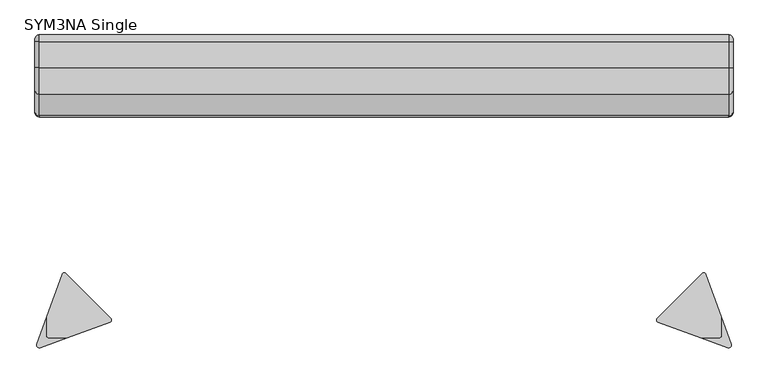
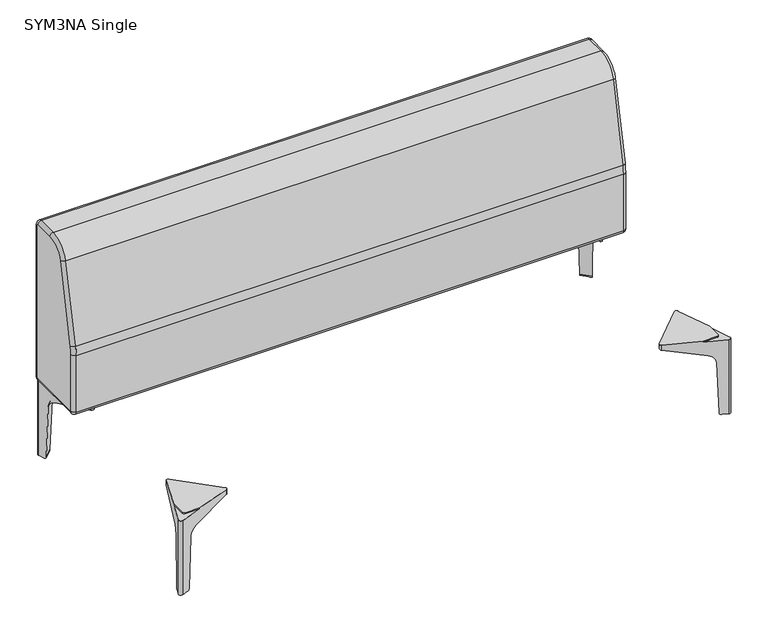
"""IFC4 building model written with IfcOpenShell, lengths in millimetres: furniture geometry, SYM3NA Single."""

from ifc_helpers import new_model, si_unit, point, frame, origin, place, context, project, spatial, polyline, circle_curve, ellipse_curve, trimmed, source, transform, mapped, element, save
from ifc_brep_helpers import plane_surface, cylinder_surface, revolved_surface, advanced_brep


def sym3na_single_6348d913(model_context):
    return source(origin(), model_context, "Body", "AdvancedBrep", [
        advanced_brep(
        [(600.5633423, 285.4713683, 218.9993381), (598.7378691, 277.2373568, 218.9993381), (697.2415059, 178.73372, 218.9993381), (705.4755346, 180.5592401, 218.9993381), (739.470896, 273.9661094, 218.9993381), (739.470896, 314.468198, 218.9993381), (734.470896, 319.468198, 218.9993381), (693.9713365, 319.468198, 218.9993381), (755.1373109, 317.0117106, 0.0), (761.10897, 333.4196543, 0.0), (761.10897, 333.4196543, 215.9993706), (739.470896, 273.9661094, 215.9993706), (705.4755346, 180.5592401, 204.9594882), (744.1986842, 286.956349, 175.5349617), (751.0266022, 305.7169804, 152.3759067), (752.9611901, 311.0325233, 5.568812), (753.4224767, 341.1060707, 0.0), (753.4224767, 341.1060707, 215.9993706), (737.0147258, 335.1342958, 0.0), (731.0355882, 332.9581253, 5.568812), (725.7200894, 331.0234931, 152.3759067), (706.959614, 324.1954192, 175.5349617), (600.5633423, 285.4713683, 204.9595012), (693.9713365, 319.468198, 215.9993706), (598.7378691, 277.2373568, 206.9991584), (697.2415059, 178.73372, 206.9991584), (734.470896, 319.468198, 215.9993706), (739.470896, 314.468198, 215.9993706)],
        [
            (0, 1, circle_curve(frame((602.2734031, 280.7728907, 218.9993381), z_axis=(0.0, 0.0, 1.0), x_axis=(-1.0000000000000009, 0.0, 0.0)), 5.0)),
            (1, 2),
            (2, 3, circle_curve(frame((700.7770399, 182.2692539, 218.9993381), z_axis=(0.0, 0.0, 1.0), x_axis=(-1.0000000000000009, 0.0, 0.0)), 5.0)),
            (3, 4),
            (4, 5),
            (5, 6, circle_curve(frame((734.470896, 314.468198, 218.9993381), z_axis=(0.0, 0.0, 1.0), x_axis=(-1.0000000000000009, 0.0, 0.0)), 5.0)),
            (6, 7),
            (7, 0),
            (8, 9),
            (9, 10),
            (10, 11),
            (11, 4),
            (3, 12),
            (12, 13),
            (13, 14, ellipse_curve(frame((741.5983108, 279.8114702, 151.5034193), z_axis=(-0.9396989536617917, 0.3420027433909469, 0.0), x_axis=(-0.34200274339094694, -0.9396989536617917, 0.0)), 27.5846862, 25.0)),
            (14, 15),
            (15, 8, ellipse_curve(frame((755.1373109, 317.0117106, 5.7701887), z_axis=(0.9396989536617917, -0.3420027433909469, 0.0), x_axis=(0.34200274339094694, 0.9396989536617917, 0.0)), 6.3667538, 5.7701887)),
            (9, 16, circle_curve(frame((755.4735427, 335.4706639, 0.0), z_axis=(0.0, 0.0, 1.0), x_axis=(-1.0000000000000009, 0.0, 0.0)), 5.997056)),
            (16, 17),
            (17, 10, circle_curve(frame((755.4735427, 335.4706639, 215.9993706), z_axis=(0.0, 0.0, -1.0), x_axis=(-1.0000000000000009, 0.0, 0.0)), 5.997056)),
            (16, 18),
            (18, 19, ellipse_curve(frame((737.0147258, 335.1342958, 5.7701887), z_axis=(-0.34201214943099856, 0.9396955302871183, 0.0), x_axis=(-0.9396955302871184, -0.3420121494309987, 0.0)), 6.3667241, 5.7701887)),
            (19, 20),
            (20, 21, ellipse_curve(frame((699.8147946, 321.5949865, 151.5034193), z_axis=(0.34201214943099856, -0.9396955302871183, 0.0), x_axis=(0.9396955302871184, 0.3420121494309987, 0.0)), 27.5845574, 25.0)),
            (21, 22),
            (22, 0),
            (7, 23),
            (23, 17),
            (22, 24, ellipse_curve(frame((602.2734031, 280.7728907, 205.5654315), z_axis=(0.1949050434465321, 0.19490504344653045, 0.961261695938318), x_axis=(-0.6797146636928686, -0.6797146636928629, 0.2756373558170023)), 5.2014972, 5.0)),
            (24, 1),
            (24, 25),
            (25, 2),
            (25, 12, ellipse_curve(frame((700.7770399, 182.2692539, 205.5654315), z_axis=(0.1949050434465321, 0.19490504344653045, 0.961261695938318), x_axis=(-0.6797146636928686, -0.6797146636928629, 0.2756373558170023)), 5.2014972, 5.0)),
            (15, 19),
            (18, 8),
            (14, 20),
            (13, 21),
            (26, 27, circle_curve(frame((734.470896, 314.468198, 215.9993706), z_axis=(0.0, 0.0, -1.0), x_axis=(-1.0000000000000009, 0.0, 0.0)), 5.0)),
            (27, 11),
            (23, 26),
            (27, 5),
            (6, 26),
        ],
        [
            plane_surface(frame((739.4709122, 273.9661537, 218.9993381), z_axis=(0.0, 0.0, 1.0), x_axis=(0.3420027433909469, 0.9396989536617917, 0.0))),
            plane_surface(frame((705.4755346, 180.5592401, 218.9993381), z_axis=(0.9396989536617917, -0.3420027433909469, 0.0), x_axis=(0.0, 0.0, -1.0))),
            cylinder_surface(frame((755.4735427, 335.4706639, 0.0), z_axis=(0.0, 0.0, 1.0), x_axis=(-1.0000000000000009, 0.0, 0.0)), 5.997056),
            plane_surface(frame((753.4224767, 341.1060707, 218.9993381), z_axis=(-0.34201214943099856, 0.9396955302871183, 0.0), x_axis=(0.0, 0.0, -1.0))),
            cylinder_surface(frame((602.2734031, 280.7728907, 0.0), z_axis=(0.0, 0.0, 1.0), x_axis=(-1.0000000000000009, 0.0, 0.0)), 5.0),
            plane_surface(frame((598.7378691, 277.2373568, 218.9993381), z_axis=(-0.7071067811865516, -0.7071067811865435, 0.0), x_axis=(0.0, 0.0, -1.0))),
            cylinder_surface(frame((700.7770399, 182.2692539, 0.0), z_axis=(0.0, 0.0, 1.0), x_axis=(-1.0000000000000009, 0.0, 0.0)), 5.0),
            cylinder_surface(frame((689.5059683, 382.6430533, 5.7701887), z_axis=(-0.7071067811865454, 0.7071067811865512, 0.0), x_axis=(-0.7071067811865512, -0.7071067811865454, 0.0)), 5.7701887),
            plane_surface(frame((798.5653992, 265.4283142, 5.568812), z_axis=(-0.7066760308408373, -0.7066760308408316, -0.03489949670249955), x_axis=(-0.7071067811865447, 0.7071067811865503, 0.0))),
            revolved_surface(polyline([(732.1642724719613, 253.89016946871047, 151.5034193), (673.8937092572104, 312.16073268346196, 151.5034193)]), (664.136348, 357.273433, 151.5034193), (0.7071067811865454, -0.7071067811865512, 0.0)),
            plane_surface(frame((782.1460591, 249.0089741, 175.5349617), z_axis=(-0.19490504344653214, -0.1949050434465305, -0.9612616959383182), x_axis=(-0.7071067811865446, 0.7071067811865505, 0.0))),
            plane_surface(frame((739.470896, 273.9661094, 215.9993706), z_axis=(0.0, 0.0, 1.0), x_axis=(0.0, 1.0, 0.0))),
            plane_surface(frame((739.470896, 314.468198, 218.9993381), z_axis=(1.0, 0.0, 0.0), x_axis=(0.0, 0.0, -1.0))),
            plane_surface(frame((689.470896, 319.468198, 218.9993381), z_axis=(0.0, 1.0, 0.0), x_axis=(0.0, 0.0, -1.0))),
            cylinder_surface(frame((734.470896, 314.468198, 215.9993706), z_axis=(0.0, 0.0, -1.0), x_axis=(-1.0000000000000009, 0.0, 0.0)), 5.0),
            plane_surface(frame((739.4709122, 273.9661537, 0.0), z_axis=(0.0, 0.0, -1.0), x_axis=(-0.3420027433909469, -0.9396989536617917, 0.0))),
        ],
        [
            (0, [[1, 2, 3, 4, 5, 6, 7, 8]]),
            (1, [[9, 10, 11, 12, -4, 13, 14, 15, 16, 17]]),
            (2, [[18, 19, 20, -10]]),
            (3, [[21, 22, 23, 24, 25, 26, -8, 27, 28, -19]]),
            (4, [[-1, -26, 29, 30]]),
            (5, [[-2, -30, 31, 32]]),
            (6, [[-3, -32, 33, -13]]),
            (7, [[34, -22, 35, -17]]),
            (8, [[-34, -16, 36, -23]]),
            (9, [[-36, -15, 37, -24]]),
            (10, [[-37, -14, -33, -31, -29, -25]]),
            (11, [[38, 39, -11, -20, -28, 40]]),
            (12, [[41, -5, -12, -39]]),
            (13, [[42, -40, -27, -7]]),
            (14, [[-38, -42, -6, -41]]),
            (15, [[-18, -9, -35, -21]]),
        ],
    ),
        advanced_brep(
        [(705.4713683, -180.5633423, 218.9993381), (697.2373568, -178.7378691, 218.9993381), (598.73372, -277.2415059, 218.9993381), (600.5592401, -285.4755346, 218.9993381), (693.9661094, -319.470896, 218.9993381), (734.468198, -319.470896, 218.9993381), (739.468198, -314.470896, 218.9993381), (739.468198, -273.9713365, 218.9993381), (737.0117106, -335.1373109, 0.0), (753.4196543, -341.10897, 0.0), (753.4196543, -341.10897, 215.9993706), (693.9661094, -319.470896, 215.9993706), (600.5592401, -285.4755346, 204.9594882), (706.956349, -324.1986842, 175.5349617), (725.7169804, -331.0266022, 152.3759067), (731.0325233, -332.9611901, 5.568812), (761.1060707, -333.4224767, 0.0), (761.1060707, -333.4224767, 215.9993706), (755.1342958, -317.0147258, 0.0), (752.9581253, -311.0355882, 5.568812), (751.0234931, -305.7200894, 152.3759067), (744.1954192, -286.959614, 175.5349617), (705.4713683, -180.5633423, 204.9595012), (739.468198, -273.9713365, 215.9993706), (697.2373568, -178.7378691, 206.9991584), (598.73372, -277.2415059, 206.9991584), (739.468198, -314.470896, 215.9993706), (734.468198, -319.470896, 215.9993706)],
        [
            (0, 1, circle_curve(frame((700.7728907, -182.2734031, 218.9993381), z_axis=(0.0, 0.0, 1.0), x_axis=(0.0, 1.0000000000000002, 0.0)), 5.0)),
            (1, 2),
            (2, 3, circle_curve(frame((602.2692539, -280.7770399, 218.9993381), z_axis=(0.0, 0.0, 1.0), x_axis=(0.0, 1.0000000000000002, 0.0)), 5.0)),
            (3, 4),
            (4, 5),
            (5, 6, circle_curve(frame((734.468198, -314.470896, 218.9993381), z_axis=(0.0, 0.0, 1.0), x_axis=(0.0, 1.0000000000000002, 0.0)), 5.0)),
            (6, 7),
            (7, 0),
            (8, 9),
            (9, 10),
            (10, 11),
            (11, 4),
            (3, 12),
            (12, 13),
            (13, 14, ellipse_curve(frame((699.8114702, -321.5983108, 151.5034193), z_axis=(0.34200274339094533, 0.9396989536617922, 0.0), x_axis=(-0.9396989536617923, 0.3420027433909454, 0.0)), 27.5846862, 25.0)),
            (14, 15),
            (15, 8, ellipse_curve(frame((737.0117106, -335.1373109, 5.7701887), z_axis=(-0.34200274339094533, -0.9396989536617922, 0.0), x_axis=(0.9396989536617923, -0.3420027433909454, 0.0)), 6.3667538, 5.7701887)),
            (9, 16, circle_curve(frame((755.4706639, -335.4735427, 0.0), z_axis=(0.0, 0.0, 1.0), x_axis=(0.0, 1.0000000000000002, 0.0)), 5.997056)),
            (16, 17),
            (17, 10, circle_curve(frame((755.4706639, -335.4735427, 215.9993706), z_axis=(0.0, 0.0, -1.0), x_axis=(0.0, 1.0000000000000002, 0.0)), 5.997056)),
            (16, 18),
            (18, 19, ellipse_curve(frame((755.1342958, -317.0147258, 5.7701887), z_axis=(0.9396955302871177, 0.3420121494310001, 0.0), x_axis=(-0.3420121494310004, 0.9396955302871177, 0.0)), 6.3667241, 5.7701887)),
            (19, 20),
            (20, 21, ellipse_curve(frame((741.5949865, -279.8147946, 151.5034193), z_axis=(-0.9396955302871177, -0.3420121494310001, 0.0), x_axis=(0.3420121494310004, -0.9396955302871177, 0.0)), 27.5845574, 25.0)),
            (21, 22),
            (22, 0),
            (7, 23),
            (23, 17),
            (22, 24, ellipse_curve(frame((700.7728907, -182.2734031, 205.5654315), z_axis=(0.19490504344653095, -0.1949050434465319, 0.961261695938318), x_axis=(-0.6797146636928642, 0.6797146636928675, 0.27563735581700216)), 5.2014972, 5.0)),
            (24, 1),
            (24, 25),
            (25, 2),
            (25, 12, ellipse_curve(frame((602.2692539, -280.7770399, 205.5654315), z_axis=(0.19490504344653095, -0.1949050434465319, 0.961261695938318), x_axis=(-0.6797146636928642, 0.6797146636928675, 0.27563735581700216)), 5.2014972, 5.0)),
            (15, 19),
            (18, 8),
            (14, 20),
            (13, 21),
            (26, 27, circle_curve(frame((734.468198, -314.470896, 215.9993706), z_axis=(0.0, 0.0, -1.0), x_axis=(0.0, 1.0000000000000002, 0.0)), 5.0)),
            (27, 11),
            (23, 26),
            (27, 5),
            (6, 26),
        ],
        [
            plane_surface(frame((693.9661537, -319.4709122, 218.9993381), z_axis=(0.0, 0.0, 1.0), x_axis=(0.9396989536617922, -0.34200274339094533, 0.0))),
            plane_surface(frame((600.5592401, -285.4755346, 218.9993381), z_axis=(-0.34200274339094533, -0.9396989536617922, 0.0), x_axis=(0.0, 0.0, -1.0))),
            cylinder_surface(frame((755.4706639, -335.4735427, 0.0), z_axis=(0.0, 0.0, 1.0), x_axis=(0.0, 1.0000000000000002, 0.0)), 5.997056),
            plane_surface(frame((761.1060707, -333.4224767, 218.9993381), z_axis=(0.9396955302871177, 0.3420121494310001, 0.0), x_axis=(0.0, 0.0, -1.0))),
            cylinder_surface(frame((700.7728907, -182.2734031, 0.0), z_axis=(0.0, 0.0, 1.0), x_axis=(0.0, 1.0000000000000002, 0.0)), 5.0),
            plane_surface(frame((697.2373568, -178.7378691, 218.9993381), z_axis=(-0.7071067811865448, 0.7071067811865505, 0.0), x_axis=(0.0, 0.0, -1.0))),
            cylinder_surface(frame((602.2692539, -280.7770399, 0.0), z_axis=(0.0, 0.0, 1.0), x_axis=(0.0, 1.0000000000000002, 0.0)), 5.0),
            cylinder_surface(frame((802.6430533, -269.5059683, 5.7701887), z_axis=(0.7071067811865495, 0.707106781186546, 0.0), x_axis=(-0.707106781186546, 0.7071067811865495, 0.0)), 5.7701887),
            plane_surface(frame((685.4283142, -378.5653992, 5.568812), z_axis=(-0.7066760308408329, 0.7066760308408361, -0.034899496702499526), x_axis=(0.7071067811865491, 0.7071067811865459, 0.0))),
            revolved_surface(polyline([(673.8901694687108, -312.16427247196134, 151.5034193), (732.160732683462, -253.89370925721042, 151.5034193)]), (777.273433, -244.136348, 151.5034193), (-0.7071067811865495, -0.707106781186546, 0.0)),
            plane_surface(frame((669.0089741, -362.1460591, 175.5349617), z_axis=(-0.194905043446531, 0.19490504344653195, -0.9612616959383182), x_axis=(0.7071067811865493, 0.7071067811865459, 0.0))),
            plane_surface(frame((693.9661094, -319.470896, 215.9993706), z_axis=(0.0, 0.0, 1.0), x_axis=(1.0, 0.0, 0.0))),
            plane_surface(frame((734.468198, -319.470896, 218.9993381), z_axis=(0.0, -1.0, 0.0), x_axis=(0.0, 0.0, -1.0))),
            plane_surface(frame((739.468198, -269.470896, 218.9993381), z_axis=(1.0, 0.0, 0.0), x_axis=(0.0, 0.0, -1.0))),
            cylinder_surface(frame((734.468198, -314.470896, 215.9993706), z_axis=(0.0, 0.0, -1.0), x_axis=(0.0, 1.0000000000000002, 0.0)), 5.0),
            plane_surface(frame((693.9661537, -319.4709122, 0.0), z_axis=(0.0, 0.0, -1.0), x_axis=(-0.9396989536617922, 0.34200274339094533, 0.0))),
        ],
        [
            (0, [[1, 2, 3, 4, 5, 6, 7, 8]]),
            (1, [[9, 10, 11, 12, -4, 13, 14, 15, 16, 17]]),
            (2, [[18, 19, 20, -10]]),
            (3, [[21, 22, 23, 24, 25, 26, -8, 27, 28, -19]]),
            (4, [[-1, -26, 29, 30]]),
            (5, [[-2, -30, 31, 32]]),
            (6, [[-3, -32, 33, -13]]),
            (7, [[34, -22, 35, -17]]),
            (8, [[-34, -16, 36, -23]]),
            (9, [[-36, -15, 37, -24]]),
            (10, [[-37, -14, -33, -31, -29, -25]]),
            (11, [[38, 39, -11, -20, -28, 40]]),
            (12, [[41, -5, -12, -39]]),
            (13, [[42, -40, -27, -7]]),
            (14, [[-38, -42, -6, -41]]),
            (15, [[-18, -9, -35, -21]]),
        ],
    ),
        advanced_brep(
        [(-600.5633423, 285.4713683, 218.9993381), (-693.9713365, 319.468198, 218.9993381), (-734.470896, 319.468198, 218.9993381), (-739.470896, 314.468198, 218.9993381), (-739.470896, 273.9661094, 218.9993381), (-705.4755346, 180.5592401, 218.9993381), (-697.2415059, 178.73372, 218.9993381), (-598.7378691, 277.2373568, 218.9993381), (-755.1373109, 317.0117106, 0.0), (-752.9611901, 311.0325233, 5.568812), (-751.0266022, 305.7169804, 152.3759067), (-744.1986842, 286.956349, 175.5349617), (-705.4755346, 180.5592401, 204.9594882), (-739.470896, 273.9661094, 215.9993706), (-761.10897, 333.4196543, 215.9993706), (-761.10897, 333.4196543, 0.0), (-753.4224767, 341.1060707, 215.9993706), (-753.4224767, 341.1060707, 0.0), (-693.9713365, 319.468198, 215.9993706), (-600.5633423, 285.4713683, 204.9595012), (-706.959614, 324.1954192, 175.5349617), (-725.7200894, 331.0234931, 152.3759067), (-731.0355882, 332.9581253, 5.568812), (-737.0147258, 335.1342958, 0.0), (-598.7378691, 277.2373568, 206.9991584), (-697.2415059, 178.73372, 206.9991584), (-734.470896, 319.468198, 215.9993706), (-739.470896, 314.468198, 215.9993706)],
        [
            (0, 1),
            (1, 2),
            (2, 3, circle_curve(frame((-734.470896, 314.468198, 218.9993381), z_axis=(0.0, 0.0, 1.0), x_axis=(1.0, 0.0, 0.0)), 5.0)),
            (3, 4),
            (4, 5),
            (5, 6, circle_curve(frame((-700.7770399, 182.2692539, 218.9993381), z_axis=(0.0, 0.0, 1.0), x_axis=(1.0, 0.0, 0.0)), 5.0)),
            (6, 7),
            (7, 0, circle_curve(frame((-602.2734031, 280.7728907, 218.9993381), z_axis=(0.0, 0.0, 1.0), x_axis=(1.0, 0.0, 0.0)), 5.0)),
            (8, 9, ellipse_curve(frame((-755.1373109, 317.0117106, 5.7701887), z_axis=(-0.9396989536617928, -0.34200274339094383, 0.0), x_axis=(-0.34200274339094405, 0.9396989536617928, 0.0)), 6.3667538, 5.7701887)),
            (9, 10),
            (10, 11, ellipse_curve(frame((-741.5983108, 279.8114702, 151.5034193), z_axis=(0.9396989536617928, 0.34200274339094383, 0.0), x_axis=(0.34200274339094405, -0.9396989536617928, 0.0)), 27.5846862, 25.0)),
            (11, 12),
            (12, 5),
            (4, 13),
            (13, 14),
            (14, 15),
            (15, 8),
            (14, 16, circle_curve(frame((-755.4735427, 335.4706639, 215.9993706), z_axis=(0.0, 0.0, -1.0), x_axis=(1.0, 0.0, 0.0)), 5.997056)),
            (16, 17),
            (17, 15, circle_curve(frame((-755.4735427, 335.4706639, 0.0), z_axis=(0.0, 0.0, 1.0), x_axis=(1.0, 0.0, 0.0)), 5.997056)),
            (16, 18),
            (18, 1),
            (0, 19),
            (19, 20),
            (20, 21, ellipse_curve(frame((-699.8147946, 321.5949865, 151.5034193), z_axis=(-0.3420121494310016, -0.9396955302871172, 0.0), x_axis=(-0.939695530287117, 0.3420121494310017, 0.0)), 27.5845574, 25.0)),
            (21, 22),
            (22, 23, ellipse_curve(frame((-737.0147258, 335.1342958, 5.7701887), z_axis=(0.3420121494310016, 0.9396955302871172, 0.0), x_axis=(0.939695530287117, -0.3420121494310017, 0.0)), 6.3667241, 5.7701887)),
            (23, 17),
            (7, 24),
            (24, 19, ellipse_curve(frame((-602.2734031, 280.7728907, 205.5654315), z_axis=(-0.19490504344653162, 0.19490504344653128, 0.961261695938318), x_axis=(0.6797146636928665, -0.6797146636928653, 0.27563735581700216)), 5.2014972, 5.0)),
            (6, 25),
            (25, 24),
            (12, 25, ellipse_curve(frame((-700.7770399, 182.2692539, 205.5654315), z_axis=(-0.19490504344653162, 0.19490504344653128, 0.961261695938318), x_axis=(0.6797146636928665, -0.6797146636928653, 0.27563735581700216)), 5.2014972, 5.0)),
            (8, 23),
            (22, 9),
            (21, 10),
            (20, 11),
            (26, 18),
            (13, 27),
            (27, 26, circle_curve(frame((-734.470896, 314.468198, 215.9993706), z_axis=(0.0, 0.0, -1.0), x_axis=(1.0, 0.0, 0.0)), 5.0)),
            (3, 27),
            (26, 2),
        ],
        [
            plane_surface(frame((-739.4709122, 273.9661537, 218.9993381), z_axis=(0.0, 0.0, 1.0), x_axis=(-0.34200274339094383, 0.9396989536617928, 0.0))),
            plane_surface(frame((-705.4755346, 180.5592401, 218.9993381), z_axis=(-0.9396989536617928, -0.34200274339094383, 0.0), x_axis=(0.0, 0.0, -1.0))),
            cylinder_surface(frame((-755.4735427, 335.4706639, 0.0), z_axis=(0.0, 0.0, 1.0), x_axis=(1.0, 0.0, 0.0)), 5.997056),
            plane_surface(frame((-753.4224767, 341.1060707, 218.9993381), z_axis=(0.3420121494310016, 0.9396955302871172, 0.0), x_axis=(0.0, 0.0, -1.0))),
            cylinder_surface(frame((-602.2734031, 280.7728907, 0.0), z_axis=(0.0, 0.0, 1.0), x_axis=(1.0, 0.0, 0.0)), 5.0),
            plane_surface(frame((-598.7378691, 277.2373568, 218.9993381), z_axis=(0.7071067811865492, -0.7071067811865458, 0.0), x_axis=(0.0, 0.0, -1.0))),
            cylinder_surface(frame((-700.7770399, 182.2692539, 0.0), z_axis=(0.0, 0.0, 1.0), x_axis=(1.0, 0.0, 0.0)), 5.0),
            cylinder_surface(frame((-689.5059683, 382.6430533, 5.7701887), z_axis=(0.707106781186547, 0.7071067811865482, 0.0), x_axis=(0.7071067811865482, -0.707106781186547, 0.0)), 5.7701887),
            plane_surface(frame((-798.5653992, 265.4283142, 5.568812), z_axis=(0.706676030840835, -0.706676030840834, -0.03489949670249951), x_axis=(0.707106781186547, 0.707106781186548, 0.0))),
            revolved_surface(polyline([(-732.1642724719616, 253.8901694687109, 151.5034193), (-673.8937092572105, 312.1607326834621, 151.5034193)]), (-664.136348, 357.273433, 151.5034193), (-0.707106781186547, -0.7071067811865482, 0.0)),
            plane_surface(frame((-782.1460591, 249.0089741, 175.5349617), z_axis=(0.19490504344653162, -0.19490504344653128, -0.961261695938318), x_axis=(0.7071067811865469, 0.7071067811865481, 0.0))),
            plane_surface(frame((-739.470896, 273.9661094, 215.9993706), z_axis=(0.0, 0.0, 1.0), x_axis=(0.0, 1.0, 0.0))),
            plane_surface(frame((-739.470896, 314.468198, 218.9993381), z_axis=(-1.0, 0.0, 0.0), x_axis=(0.0, 0.0, -1.0))),
            plane_surface(frame((-689.470896, 319.468198, 218.9993381), z_axis=(0.0, 1.0, 0.0), x_axis=(0.0, 0.0, -1.0))),
            cylinder_surface(frame((-734.470896, 314.468198, 215.9993706), z_axis=(0.0, 0.0, -1.0), x_axis=(1.0, 0.0, 0.0)), 5.0),
            plane_surface(frame((-739.4709122, 273.9661537, 0.0), z_axis=(0.0, 0.0, -1.0), x_axis=(0.34200274339094383, -0.9396989536617928, 0.0))),
        ],
        [
            (0, [[1, 2, 3, 4, 5, 6, 7, 8]]),
            (1, [[9, 10, 11, 12, 13, -5, 14, 15, 16, 17]]),
            (2, [[-16, 18, 19, 20]]),
            (3, [[-19, 21, 22, -1, 23, 24, 25, 26, 27, 28]]),
            (4, [[29, 30, -23, -8]]),
            (5, [[31, 32, -29, -7]]),
            (6, [[-13, 33, -31, -6]]),
            (7, [[-9, 34, -27, 35]]),
            (8, [[-26, 36, -10, -35]]),
            (9, [[-25, 37, -11, -36]]),
            (10, [[-24, -30, -32, -33, -12, -37]]),
            (11, [[38, -21, -18, -15, 39, 40]]),
            (12, [[-39, -14, -4, 41]]),
            (13, [[-2, -22, -38, 42]]),
            (14, [[-41, -3, -42, -40]]),
            (15, [[-28, -34, -17, -20]]),
        ],
    ),
        advanced_brep(
        [(-600.5633423, -285.4713683, 218.9993381), (-598.7378691, -277.2373568, 218.9993381), (-697.2415059, -178.73372, 218.9993381), (-705.4755346, -180.5592401, 218.9993381), (-739.470896, -273.9661094, 218.9993381), (-739.470896, -314.468198, 218.9993381), (-734.470896, -319.468198, 218.9993381), (-693.9713365, -319.468198, 218.9993381), (-755.1373109, -317.0117106, 0.0), (-761.10897, -333.4196543, 0.0), (-761.10897, -333.4196543, 215.9993706), (-739.470896, -273.9661094, 215.9993706), (-705.4755346, -180.5592401, 204.9594882), (-744.1986842, -286.956349, 175.5349617), (-751.0266022, -305.7169804, 152.3759067), (-752.9611901, -311.0325233, 5.568812), (-753.4224767, -341.1060707, 0.0), (-753.4224767, -341.1060707, 215.9993706), (-737.0147258, -335.1342958, 0.0), (-731.0355882, -332.9581253, 5.568812), (-725.7200894, -331.0234931, 152.3759067), (-706.959614, -324.1954192, 175.5349617), (-600.5633423, -285.4713683, 204.9595012), (-693.9713365, -319.468198, 215.9993706), (-598.7378691, -277.2373568, 206.9991584), (-697.2415059, -178.73372, 206.9991584), (-734.470896, -319.468198, 215.9993706), (-739.470896, -314.468198, 215.9993706)],
        [
            (0, 1, circle_curve(frame((-602.2734031, -280.7728907, 218.9993381), z_axis=(0.0, 0.0, 1.0), x_axis=(1.0, 0.0, 0.0)), 5.0)),
            (1, 2),
            (2, 3, circle_curve(frame((-700.7770399, -182.2692539, 218.9993381), z_axis=(0.0, 0.0, 1.0), x_axis=(1.0, 0.0, 0.0)), 5.0)),
            (3, 4),
            (4, 5),
            (5, 6, circle_curve(frame((-734.470896, -314.468198, 218.9993381), z_axis=(0.0, 0.0, 1.0), x_axis=(1.0, 0.0, 0.0)), 5.0)),
            (6, 7),
            (7, 0),
            (8, 9),
            (9, 10),
            (10, 11),
            (11, 4),
            (3, 12),
            (12, 13),
            (13, 14, ellipse_curve(frame((-741.5983108, -279.8114702, 151.5034193), z_axis=(0.9396989536617928, -0.34200274339094383, 0.0), x_axis=(0.34200274339094405, 0.9396989536617928, 0.0)), 27.5846862, 25.0)),
            (14, 15),
            (15, 8, ellipse_curve(frame((-755.1373109, -317.0117106, 5.7701887), z_axis=(-0.9396989536617928, 0.34200274339094383, 0.0), x_axis=(-0.34200274339094405, -0.9396989536617928, 0.0)), 6.3667538, 5.7701887)),
            (9, 16, circle_curve(frame((-755.4735427, -335.4706639, 0.0), z_axis=(0.0, 0.0, 1.0), x_axis=(1.0, 0.0, 0.0)), 5.997056)),
            (16, 17),
            (17, 10, circle_curve(frame((-755.4735427, -335.4706639, 215.9993706), z_axis=(0.0, 0.0, -1.0), x_axis=(1.0, 0.0, 0.0)), 5.997056)),
            (16, 18),
            (18, 19, ellipse_curve(frame((-737.0147258, -335.1342958, 5.7701887), z_axis=(0.3420121494310016, -0.9396955302871172, 0.0), x_axis=(0.939695530287117, 0.3420121494310017, 0.0)), 6.3667241, 5.7701887)),
            (19, 20),
            (20, 21, ellipse_curve(frame((-699.8147946, -321.5949865, 151.5034193), z_axis=(-0.3420121494310016, 0.9396955302871172, 0.0), x_axis=(-0.939695530287117, -0.3420121494310017, 0.0)), 27.5845574, 25.0)),
            (21, 22),
            (22, 0),
            (7, 23),
            (23, 17),
            (22, 24, ellipse_curve(frame((-602.2734031, -280.7728907, 205.5654315), z_axis=(-0.19490504344653162, -0.19490504344653128, 0.961261695938318), x_axis=(0.6797146636928665, 0.6797146636928653, 0.27563735581700216)), 5.2014972, 5.0)),
            (24, 1),
            (24, 25),
            (25, 2),
            (25, 12, ellipse_curve(frame((-700.7770399, -182.2692539, 205.5654315), z_axis=(-0.19490504344653162, -0.19490504344653128, 0.961261695938318), x_axis=(0.6797146636928665, 0.6797146636928653, 0.27563735581700216)), 5.2014972, 5.0)),
            (15, 19),
            (18, 8),
            (14, 20),
            (13, 21),
            (26, 27, circle_curve(frame((-734.470896, -314.468198, 215.9993706), z_axis=(0.0, 0.0, -1.0), x_axis=(1.0, 0.0, 0.0)), 5.0)),
            (27, 11),
            (23, 26),
            (27, 5),
            (6, 26),
        ],
        [
            plane_surface(frame((-739.4709122, -273.9661537, 218.9993381), z_axis=(0.0, 0.0, 1.0), x_axis=(-0.34200274339094383, -0.9396989536617928, 0.0))),
            plane_surface(frame((-705.4755346, -180.5592401, 218.9993381), z_axis=(-0.9396989536617928, 0.34200274339094383, 0.0), x_axis=(0.0, 0.0, -1.0))),
            cylinder_surface(frame((-755.4735427, -335.4706639, 0.0), z_axis=(0.0, 0.0, 1.0), x_axis=(1.0, 0.0, 0.0)), 5.997056),
            plane_surface(frame((-753.4224767, -341.1060707, 218.9993381), z_axis=(0.3420121494310016, -0.9396955302871172, 0.0), x_axis=(0.0, 0.0, -1.0))),
            cylinder_surface(frame((-602.2734031, -280.7728907, 0.0), z_axis=(0.0, 0.0, 1.0), x_axis=(1.0, 0.0, 0.0)), 5.0),
            plane_surface(frame((-598.7378691, -277.2373568, 218.9993381), z_axis=(0.7071067811865492, 0.7071067811865458, 0.0), x_axis=(0.0, 0.0, -1.0))),
            cylinder_surface(frame((-700.7770399, -182.2692539, 0.0), z_axis=(0.0, 0.0, 1.0), x_axis=(1.0, 0.0, 0.0)), 5.0),
            cylinder_surface(frame((-689.5059683, -382.6430533, 5.7701887), z_axis=(0.707106781186547, -0.7071067811865482, 0.0), x_axis=(0.7071067811865482, 0.707106781186547, 0.0)), 5.7701887),
            plane_surface(frame((-798.5653992, -265.4283142, 5.568812), z_axis=(0.706676030840835, 0.706676030840834, -0.03489949670249951), x_axis=(0.707106781186547, -0.707106781186548, 0.0))),
            revolved_surface(polyline([(-732.1642724719616, -253.8901694687109, 151.5034193), (-673.8937092572105, -312.1607326834621, 151.5034193)]), (-664.136348, -357.273433, 151.5034193), (-0.707106781186547, 0.7071067811865482, 0.0)),
            plane_surface(frame((-782.1460591, -249.0089741, 175.5349617), z_axis=(0.19490504344653162, 0.19490504344653128, -0.961261695938318), x_axis=(0.7071067811865469, -0.7071067811865481, 0.0))),
            plane_surface(frame((-739.470896, -273.9661094, 215.9993706), z_axis=(0.0, 0.0, 1.0), x_axis=(0.0, -1.0, 0.0))),
            plane_surface(frame((-739.470896, -314.468198, 218.9993381), z_axis=(-1.0, 0.0, 0.0), x_axis=(0.0, 0.0, -1.0))),
            plane_surface(frame((-689.470896, -319.468198, 218.9993381), z_axis=(0.0, -1.0, 0.0), x_axis=(0.0, 0.0, -1.0))),
            cylinder_surface(frame((-734.470896, -314.468198, 215.9993706), z_axis=(0.0, 0.0, -1.0), x_axis=(1.0, 0.0, 0.0)), 5.0),
            plane_surface(frame((-739.4709122, -273.9661537, 0.0), z_axis=(0.0, 0.0, -1.0), x_axis=(0.34200274339094383, 0.9396989536617928, 0.0))),
        ],
        [
            (0, [[1, 2, 3, 4, 5, 6, 7, 8]]),
            (1, [[9, 10, 11, 12, -4, 13, 14, 15, 16, 17]]),
            (2, [[18, 19, 20, -10]]),
            (3, [[21, 22, 23, 24, 25, 26, -8, 27, 28, -19]]),
            (4, [[-1, -26, 29, 30]]),
            (5, [[-2, -30, 31, 32]]),
            (6, [[-3, -32, 33, -13]]),
            (7, [[34, -22, 35, -17]]),
            (8, [[-34, -16, 36, -23]]),
            (9, [[-36, -15, 37, -24]]),
            (10, [[-37, -14, -33, -31, -29, -25]]),
            (11, [[38, 39, -11, -20, -28, 40]]),
            (12, [[41, -5, -12, -39]]),
            (13, [[42, -40, -27, -7]]),
            (14, [[-38, -42, -6, -41]]),
            (15, [[-18, -9, -35, -21]]),
        ],
    ),
        advanced_brep(
        [(765.0, 335.0, 225.9688195), (765.0, 335.0, 670.0), (765.0, 330.0, 675.0), (765.0, 273.3730317, 675.0), (765.0, 224.4656516, 635.3955845), (765.0, 177.4037639, 413.9868106), (765.0, 175.0, 391.1165246), (765.0, 175.0, 225.9688195), (-765.0, 175.0, 225.9688195), (-765.0, 175.0, 391.1165246), (-765.0, 177.4037639, 413.9868106), (-765.0, 224.4656516, 635.3955845), (-765.0, 273.3730317, 675.0), (-765.0, 330.0, 675.0), (-765.0, 335.0, 670.0), (-765.0, 335.0, 225.9688195), (-755.0, 345.0, 225.9688195), (-755.0, 345.0, 670.0), (755.0, 345.0, 670.0), (755.0, 345.0, 225.9688195), (-755.0, 330.0, 685.0), (755.0000054, 330.0, 685.0), (-755.0, 273.3730317, 685.0), (755.0, 273.3730317, 685.0), (-755.0, 214.6841756, 637.4747014), (755.0000137, 214.6841756, 637.4747014), (-755.0, 167.6222879, 416.0659275), (755.0, 167.6222879, 416.0659275), (-755.0, 165.0, 391.1165246), (-755.0, 165.0, 225.9688195), (755.0, 165.0, 225.9688195), (755.0, 165.0, 391.1165246), (-755.0, 175.0, 215.9688195), (755.0, 175.0, 215.9688195), (-755.0, 335.0, 215.9688195), (755.0, 335.0, 215.9688195)],
        [
            (0, 1),
            (1, 2, circle_curve(frame((765.0, 330.0, 670.0), z_axis=(1.0, 0.0, 0.0), x_axis=(0.0, 1.0, 0.0)), 5.0)),
            (2, 3),
            (3, 4, circle_curve(frame((765.0, 273.3730317, 625.0), z_axis=(1.0, 0.0, 0.0), x_axis=(0.0, 0.0, 1.0)), 50.0)),
            (4, 5),
            (5, 6, circle_curve(frame((765.0, 285.0, 391.1165246), z_axis=(1.0, 0.0, 0.0), x_axis=(0.0, -0.9781476007338035, 0.20791169081776942)), 110.0)),
            (6, 7),
            (7, 0),
            (8, 9),
            (9, 10, circle_curve(frame((-765.0, 285.0, 391.1165246), z_axis=(-1.0, 0.0, 0.0), x_axis=(0.0, -1.0, 0.0)), 110.0)),
            (10, 11),
            (11, 12, circle_curve(frame((-765.0, 273.3730317, 625.0), z_axis=(-1.0, 0.0, 0.0), x_axis=(0.0, -0.9781476007338058, 0.2079116908177585)), 50.0)),
            (12, 13),
            (13, 14, circle_curve(frame((-765.0, 330.0, 670.0), z_axis=(-1.0, 0.0, 0.0), x_axis=(0.0, 0.0, 1.0)), 5.0)),
            (14, 15),
            (15, 8),
            (16, 17),
            (17, 18),
            (18, 19),
            (19, 16),
            (17, 20, circle_curve(frame((-755.0, 330.0, 670.0), z_axis=(1.0, 0.0, 0.0), x_axis=(0.0, -1.0, 0.0)), 15.0)),
            (20, 21),
            (21, 18, circle_curve(frame((755.0, 330.0, 670.0), z_axis=(-1.0, 0.0, 0.0), x_axis=(0.0, -1.0, 0.0)), 15.0)),
            (20, 22),
            (22, 23),
            (23, 21),
            (22, 24, circle_curve(frame((-755.0, 273.3730317, 625.0), z_axis=(1.0, 0.0, 0.0), x_axis=(0.0, -1.0, 0.0)), 60.0)),
            (24, 25),
            (25, 23, circle_curve(frame((755.0, 273.3730317, 625.0), z_axis=(-1.0, 0.0, 0.0), x_axis=(0.0, -1.0, 0.0)), 60.0)),
            (24, 26),
            (26, 27),
            (27, 25),
            (28, 29),
            (29, 30),
            (30, 31),
            (31, 28),
            (29, 32, circle_curve(frame((-755.0, 175.0, 225.9688195), z_axis=(1.0, 0.0, 0.0), x_axis=(0.0, -1.0, 0.0)), 10.0)),
            (32, 33),
            (33, 30, circle_curve(frame((755.0, 175.0, 225.9688195), z_axis=(-1.0, 0.0, 0.0), x_axis=(0.0, -1.0, 0.0)), 10.0)),
            (32, 34),
            (34, 35),
            (35, 33),
            (34, 16, circle_curve(frame((-755.0, 335.0, 225.9688195), z_axis=(1.0, 0.0, 0.0), x_axis=(0.0, -1.0, 0.0)), 10.0)),
            (19, 35, circle_curve(frame((755.0, 335.0, 225.9688195), z_axis=(-1.0, 0.0, 0.0), x_axis=(0.0, -1.0, 0.0)), 10.0)),
            (26, 28, circle_curve(frame((-755.0, 285.0, 391.1165246), z_axis=(1.0, 0.0, 0.0), x_axis=(0.0, -1.0, 0.0)), 120.0)),
            (31, 27, circle_curve(frame((755.0, 285.0, 391.1165246), z_axis=(-1.0, 0.0, 0.0), x_axis=(0.0, -1.0, 0.0)), 120.0)),
            (29, 8, circle_curve(frame((-755.0, 175.0, 225.9688195), z_axis=(0.0, 0.0, -1.0), x_axis=(-1.0, 0.0, 0.0)), 10.0)),
            (8, 32, circle_curve(frame((-755.0, 175.0, 225.9688195), z_axis=(0.0, -1.0, 0.0), x_axis=(-1.0, 0.0, 0.0)), 10.0)),
            (28, 9, circle_curve(frame((-755.0, 175.0, 391.1165246), z_axis=(0.0, 0.0, -1.0), x_axis=(-1.0, 0.0, 0.0)), 10.0)),
            (26, 10, circle_curve(frame((-755.0, 177.4037639, 413.9868106), z_axis=(0.0, -0.20791169081763305, -0.9781476007338324), x_axis=(-1.0, 0.0, 0.0)), 10.0)),
            (24, 11, circle_curve(frame((-755.0, 224.4656516, 635.3955845), z_axis=(0.0, -0.20791169081775746, -0.9781476007338061), x_axis=(-1.0, 0.0, 0.0)), 10.0)),
            (22, 12, circle_curve(frame((-755.0, 273.3730317, 675.0), z_axis=(0.0, -1.0, 0.0), x_axis=(-1.0, 0.0, 0.0)), 10.0)),
            (20, 13, circle_curve(frame((-755.0, 330.0, 675.0), z_axis=(0.0, -1.0, 0.0), x_axis=(-1.0, 0.0, 0.0)), 10.0)),
            (17, 14, circle_curve(frame((-755.0, 335.0, 670.0), z_axis=(0.0, 0.0, 1.0), x_axis=(-1.0, 0.0, 0.0)), 10.0)),
            (16, 15, circle_curve(frame((-755.0, 335.0, 225.9688195), z_axis=(0.0, 0.0, 1.0), x_axis=(-1.0, 0.0, 0.0)), 10.0)),
            (34, 15, circle_curve(frame((-755.0, 335.0, 225.9688195), z_axis=(0.0, 1.0, 0.0), x_axis=(-1.0, 0.0, 0.0)), 10.0)),
            (19, 0, circle_curve(frame((755.0, 335.0, 225.9688195), z_axis=(0.0, 0.0, -1.0), x_axis=(1.0, 0.0, 0.0)), 10.0)),
            (0, 35, circle_curve(frame((755.0, 335.0, 225.9688195), z_axis=(0.0, 1.0, 0.0), x_axis=(1.0, 0.0, 0.0)), 10.0)),
            (18, 1, circle_curve(frame((755.0, 335.0, 670.0), z_axis=(0.0, 0.0, -1.0), x_axis=(1.0, 0.0, 0.0)), 10.0)),
            (21, 2, circle_curve(frame((755.0, 330.0, 675.0), z_axis=(0.0, 1.0, 0.0), x_axis=(1.0, 0.0, 0.0)), 10.0)),
            (23, 3, circle_curve(frame((755.0, 273.3730317, 675.0), z_axis=(0.0, 1.0, 0.0), x_axis=(1.0, 0.0, 0.0)), 10.0)),
            (25, 4, circle_curve(frame((755.0, 224.4656516, 635.3955845), z_axis=(0.0, 0.2079116908177558, 0.9781476007338065), x_axis=(1.0, 0.0, 0.0)), 10.0)),
            (27, 5, circle_curve(frame((755.0, 177.4037639, 413.9868106), z_axis=(0.0, 0.20791169081775757, 0.978147600733806), x_axis=(1.0, 0.0, 0.0)), 10.0)),
            (31, 6, circle_curve(frame((755.0, 175.0, 391.1165246), z_axis=(0.0, 0.0, 1.0), x_axis=(1.0, 0.0, 0.0)), 10.0)),
            (30, 7, circle_curve(frame((755.0, 175.0, 225.9688195), z_axis=(0.0, 0.0, 1.0), x_axis=(1.0, 0.0, 0.0)), 10.0)),
            (33, 7, circle_curve(frame((755.0, 175.0, 225.9688195), z_axis=(0.0, -1.0, 0.0), x_axis=(1.0, 0.0, 0.0)), 10.0)),
        ],
        [
            plane_surface(frame((765.0, 345.0, 0.0), z_axis=(1.0, 0.0, 0.0), x_axis=(0.0, 0.0, 1.0))),
            plane_surface(frame((-765.0, 345.0, 0.0), z_axis=(-1.0, 0.0, 0.0), x_axis=(0.0, 0.0, 1.0))),
            plane_surface(frame((765.0, 345.0, 225.9688195), z_axis=(0.0, 1.0, 0.0), x_axis=(-1.0, 0.0, 0.0))),
            cylinder_surface(frame((765.0, 330.0, 670.0), z_axis=(1.0, 0.0, 0.0), x_axis=(0.0, -1.0, 0.0)), 15.0),
            plane_surface(frame((765.0, 330.0, 685.0), z_axis=(0.0, 0.0, 1.0), x_axis=(-1.0, 0.0, 0.0))),
            cylinder_surface(frame((765.0, 273.3730317, 625.0), z_axis=(1.0, 0.0, 0.0), x_axis=(0.0, -1.0, 0.0)), 60.0),
            plane_surface(frame((765.0, 214.6841756, 637.4747014), z_axis=(0.0, -0.9781476007338061, 0.20791169081775743), x_axis=(-1.0, 0.0, 0.0))),
            plane_surface(frame((765.0, 165.0, 391.1165246), z_axis=(0.0, -1.0, 0.0), x_axis=(-1.0, 0.0, 0.0))),
            cylinder_surface(frame((765.0, 175.0, 225.9688195), z_axis=(1.0, 0.0, 0.0), x_axis=(0.0, -1.0, 0.0)), 10.0),
            plane_surface(frame((765.0, 175.0, 215.9688195), z_axis=(0.0, 0.0, -1.0), x_axis=(-1.0, 0.0, 0.0))),
            cylinder_surface(frame((765.0, 335.0, 225.9688195), z_axis=(1.0, 0.0, 0.0), x_axis=(0.0, -1.0, 0.0)), 10.0),
            cylinder_surface(frame((765.0, 285.0, 391.1165246), z_axis=(1.0, 0.0, 0.0), x_axis=(0.0, -1.0, 0.0)), 120.0),
            revolved_surface(trimmed(ellipse_curve(frame((-755.0, 175.0, 225.9688195), z_axis=(0.0, 1.0, 0.0), x_axis=(-1.0, 0.0, 0.0)), 10.0, 10.0), [point((-755.0, 175.0, 215.9688195))], [point((-765.0, 175.0, 225.9688195))], True, "CARTESIAN"), (-765.0, 175.0, 225.9688195), (-1.0, 0.0, 0.0)),
            cylinder_surface(frame((-755.0, 175.0, 225.9688195), z_axis=(0.0, 0.0, 1.0), x_axis=(-1.0, 0.0, 0.0)), 10.0),
            revolved_surface(trimmed(ellipse_curve(frame((-755.0, 175.0, 391.1165246), z_axis=(0.0, 0.0, -1.0), x_axis=(-1.0, 0.0, 0.0)), 10.0, 10.0), [point((-755.0, 165.0, 391.1165246))], [point((-765.0, 175.0, 391.1165246))], True, "CARTESIAN"), (-765.0, 285.0, 391.1165246), (-1.0, 0.0, 0.0)),
            cylinder_surface(frame((-755.0, 177.4037639, 413.9868106), z_axis=(0.0, 0.20791169081775746, 0.9781476007338061), x_axis=(-1.0, 0.0, 0.0)), 10.0),
            revolved_surface(trimmed(ellipse_curve(frame((-755.0, 224.4656516, 635.3955845), z_axis=(0.0, -0.2079116908177584, -0.9781476007338058), x_axis=(-1.0, 0.0, 0.0)), 10.0, 10.0), [point((-755.0, 214.6841756, 637.4747014))], [point((-765.0, 224.4656516, 635.3955845))], True, "CARTESIAN"), (-765.0, 273.3730317, 625.0), (-1.0, 0.0, 0.0)),
            cylinder_surface(frame((-755.0, 273.3730317, 675.0), z_axis=(0.0, 1.0, 0.0), x_axis=(-1.0, 0.0, 0.0)), 10.0),
            revolved_surface(trimmed(ellipse_curve(frame((-755.0, 330.0, 675.0), z_axis=(0.0, -1.0, 0.0), x_axis=(-1.0, 0.0, 0.0)), 10.0, 10.0), [point((-755.0, 330.0, 685.0))], [point((-765.0, 330.0, 675.0))], True, "CARTESIAN"), (-765.0, 330.0, 670.0), (-1.0, 0.0, 0.0)),
            cylinder_surface(frame((-755.0, 335.0, 670.0), z_axis=(0.0, 0.0, -1.0), x_axis=(-1.0, 0.0, 0.0)), 10.0),
            revolved_surface(trimmed(ellipse_curve(frame((-755.0, 335.0, 225.9688195), z_axis=(0.0, 0.0, 1.0), x_axis=(-1.0, 0.0, 0.0)), 10.0, 10.0), [point((-755.0, 345.0, 225.9688195))], [point((-765.0, 335.0, 225.9688195))], True, "CARTESIAN"), (-765.0, 335.0, 225.9688195), (-1.0, 0.0, 0.0)),
            cylinder_surface(frame((-755.0, 335.0, 225.9688195), z_axis=(0.0, -1.0, 0.0), x_axis=(-1.0, 0.0, 0.0)), 10.0),
            revolved_surface(trimmed(ellipse_curve(frame((755.0, 335.0, 225.9688195), z_axis=(0.0, -1.0, 0.0), x_axis=(1.0, 0.0, 0.0)), 10.0, 10.0), [point((755.0, 335.0, 215.9688195))], [point((765.0, 335.0, 225.9688195))], True, "CARTESIAN"), (765.0, 335.0, 225.9688195), (1.0, 0.0, 0.0)),
            cylinder_surface(frame((755.0, 335.0, 225.9688195), z_axis=(0.0, 0.0, 1.0), x_axis=(1.0, 0.0, 0.0)), 10.0),
            revolved_surface(trimmed(ellipse_curve(frame((755.0, 335.0, 670.0), z_axis=(0.0, 0.0, -1.0), x_axis=(1.0, 0.0, 0.0)), 10.0, 10.0), [point((755.0, 345.0, 670.0))], [point((765.0, 335.0, 670.0))], True, "CARTESIAN"), (765.0, 330.0, 670.0), (1.0, 0.0, 0.0)),
            cylinder_surface(frame((755.0, 330.0, 675.0), z_axis=(0.0, -1.0, 0.0), x_axis=(1.0, 0.0, 0.0)), 10.0),
            revolved_surface(trimmed(ellipse_curve(frame((755.0, 273.3730317, 675.0), z_axis=(0.0, 1.0, 0.0), x_axis=(1.0, 0.0, 0.0)), 10.0, 10.0), [point((755.0, 273.3730317, 685.0))], [point((765.0, 273.3730317, 675.0))], True, "CARTESIAN"), (765.0, 273.3730317, 625.0), (1.0, 0.0, 0.0)),
            cylinder_surface(frame((755.0, 224.4656516, 635.3955845), z_axis=(0.0, -0.20791169081775757, -0.978147600733806), x_axis=(1.0, 0.0, 0.0)), 10.0),
            revolved_surface(trimmed(ellipse_curve(frame((755.0, 177.4037639, 413.9868106), z_axis=(0.0, 0.20791169081776953, 0.9781476007338035), x_axis=(1.0, 0.0, 0.0)), 10.0, 10.0), [point((755.0, 167.6222879, 416.0659275))], [point((765.0, 177.4037639, 413.9868106))], True, "CARTESIAN"), (765.0, 285.0, 391.1165246), (1.0, 0.0, 0.0)),
            cylinder_surface(frame((755.0, 175.0, 391.1165246), z_axis=(0.0, 0.0, -1.0), x_axis=(1.0, 0.0, 0.0)), 10.0),
            revolved_surface(trimmed(ellipse_curve(frame((755.0, 175.0, 225.9688195), z_axis=(0.0, 0.0, 1.0), x_axis=(1.0, 0.0, 0.0)), 10.0, 10.0), [point((755.0, 165.0, 225.9688195))], [point((765.0, 175.0, 225.9688195))], True, "CARTESIAN"), (765.0, 175.0, 225.9688195), (1.0, 0.0, 0.0)),
            cylinder_surface(frame((755.0, 175.0, 225.9688195), z_axis=(0.0, 1.0, 0.0), x_axis=(1.0, 0.0, 0.0)), 10.0),
        ],
        [
            (0, [[1, 2, 3, 4, 5, 6, 7, 8]]),
            (1, [[9, 10, 11, 12, 13, 14, 15, 16]]),
            (2, [[17, 18, 19, 20]]),
            (3, [[21, 22, 23, -18]]),
            (4, [[24, 25, 26, -22]]),
            (5, [[27, 28, 29, -25]]),
            (6, [[30, 31, 32, -28]]),
            (7, [[33, 34, 35, 36]]),
            (8, [[37, 38, 39, -34]]),
            (9, [[40, 41, 42, -38]]),
            (10, [[43, -20, 44, -41]]),
            (11, [[45, -36, 46, -31]]),
            (12, [[47, 48, -37]]),
            (13, [[-47, -33, 49, -9]]),
            (14, [[-49, -45, 50, -10]]),
            (15, [[-50, -30, 51, -11]]),
            (16, [[-51, -27, 52, -12]]),
            (17, [[-52, -24, 53, -13]]),
            (18, [[-53, -21, 54, -14]]),
            (19, [[-54, -17, 55, -15]]),
            (20, [[-55, -43, 56]]),
            (21, [[-48, -16, -56, -40]]),
            (22, [[57, 58, -44]]),
            (23, [[-57, -19, 59, -1]]),
            (24, [[-59, -23, 60, -2]]),
            (25, [[-60, -26, 61, -3]]),
            (26, [[-61, -29, 62, -4]]),
            (27, [[-62, -32, 63, -5]]),
            (28, [[-63, -46, 64, -6]]),
            (29, [[-64, -35, 65, -7]]),
            (30, [[-65, -39, 66]]),
            (31, [[-58, -8, -66, -42]]),
        ],
    ),
    ])


if __name__ == "__main__":
    model = new_model("IFC4")
    model_context = context("Model", 3, world=origin())
    ifc_project = project(units=[si_unit("LENGTHUNIT", "METRE", prefix="MILLI")], contexts=[model_context])
    site = spatial("IfcSite", under=ifc_project)
    building = spatial("IfcBuilding", under=site)
    placement = place(None, origin())
    sym3na_single_shape = sym3na_single_6348d913(model_context)
    element("IfcFurniture", 1, ObjectType="SYM3NA Single", at=placement, inside=building, context=model_context, shape_type="MappedRepresentation", body=[
        mapped(sym3na_single_shape, transform((0.0, 0.0, 0.0), x_axis=(1.0, 0.0, 0.0), y_axis=(0.0, 1.0, 0.0), z_axis=(0.0, 0.0, 1.0))),
    ])
    save(model, "model.ifc")
